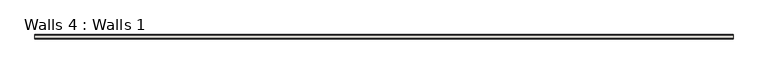
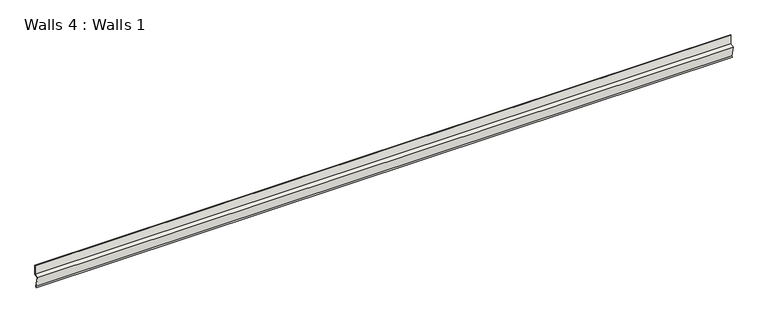
"""IFC4 building model written with IfcOpenShell, lengths in millimetres: wall geometry, Walls 4 : Walls 1."""

from ifc_helpers import new_model, si_unit, frame, origin, place, context, project, spatial, polyline, outline, extrude, source, transform, mapped, element, save


def walls_4_walls_1_f10535e6(model_context):
    return source(origin(), model_context, "Body", "SweptSolid", [
        extrude(outline(polyline([(2116.3184093, 390.8173024), (2104.9370046, 385.9861828), (2112.5798892, 352.8812129), (2110.1821242, 349.4568497), (2108.8817204, 350.3674023), (2110.8740812, 353.2127884), (2103.0905415, 386.9270027), (2114.7309093, 391.8680457), (2114.7309093, 419.8885872), (2116.3184093, 419.8885872), (2116.3184093, 390.8173024)])), frame((-663.6267943, 0.0, 0.0), z_axis=(1.0, 0.0, 0.0), x_axis=(0.0, 1.0, 0.0)), (0.0, 0.0, 1.0), 2184.4),
    ])


if __name__ == "__main__":
    model = new_model("IFC4")
    model_context = context("Model", 3, world=origin())
    ifc_project = project(units=[si_unit("LENGTHUNIT", "METRE", prefix="MILLI")], contexts=[model_context])
    site = spatial("IfcSite", under=ifc_project)
    building = spatial("IfcBuilding", under=site)
    placement = place(None, origin())
    walls_4_walls_1_shape = walls_4_walls_1_f10535e6(model_context)
    element("IfcWall", 1, ObjectType="Walls 4 : Walls 1", at=placement, inside=building, context=model_context, shape_type="MappedRepresentation", body=[
        mapped(walls_4_walls_1_shape, transform((0.0, 0.0, 0.0), x_axis=(1.0, 0.0, 0.0), y_axis=(0.0, 1.0, 0.0), z_axis=(0.0, 0.0, 1.0))),
    ])
    save(model, "model.ifc")
